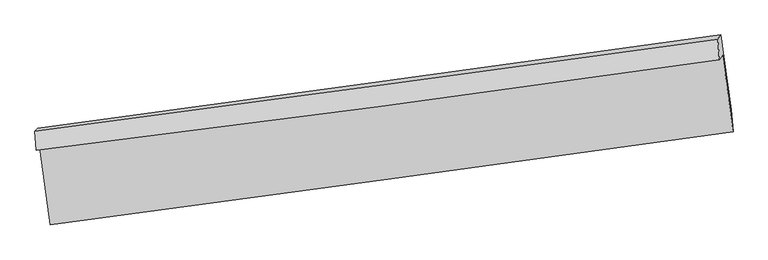
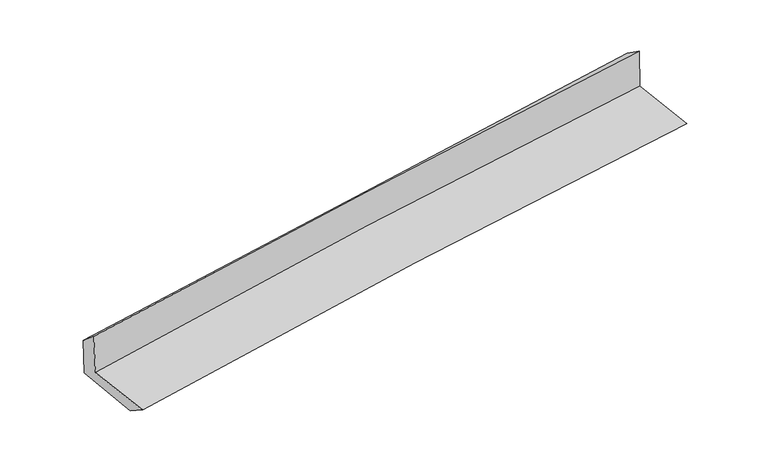
"""IFC4 building model written with IfcOpenShell, lengths in millimetres: proxy geometry."""

from ifc_helpers import new_model, si_unit, frame, origin, place, context, project, spatial, source, transform, mapped, element, save
from ifc_brep_helpers import plane_surface, spline_curve, spline_surface, advanced_brep


def generic_models_53ca1a8a(model_context):
    return source(origin(), model_context, "Body", "AdvancedBrep", [
        advanced_brep(
        [(-2996.3966159, -1909.6769377, 1649.8735262), (-2903.5651551, -2578.0785057, 1622.2872437), (3046.2756556, -1768.8177429, 2106.5135004), (2954.2431527, -1103.7920272, 2133.9845339), (-3026.0146225, -1932.2537715, 2058.7739491), (2927.0664884, -1142.3371999, 2539.3654192), (-3037.3450613, -1765.9451904, 1918.3965868), (2912.872206, -962.4165871, 2412.7941458), (-3011.197667, -1739.9144778, 1547.0628172), (2939.0704861, -925.2590751, 2022.0073351), (-2919.6909329, -2388.2525844, 1502.0136712), (3030.8384982, -1577.7991657, 1976.733308)],
        [
            (0, 1),
            (1, 2, spline_curve(3, [(-2903.5651551, -2578.0785057, 1622.2872437), (-1913.907944885, -2446.945566056, 1734.003993389), (-923.253695548, -2313.939921493, 1830.214835366), (1060.026619541, -2044.186249785, 1991.622891173), (2052.652640301, -1907.438306867, 2056.820801585), (3046.2756556, -1768.8177429, 2106.5135004)], [4, 2, 4], [0.0, 9.88386585886304, 19.767509820595734])),
            (2, 3),
            (3, 0, spline_curve(3, [(2954.2431527, -1103.7920272, 2133.9845339), (1960.626634249, -1242.855262448, 2084.269554716), (967.937283346, -1379.543228641, 2019.070107629), (-1015.609347542, -1648.171638806, 1857.700467341), (-2006.466586607, -1780.111976183, 1761.529578081), (-2996.3966159, -1909.6769377, 1649.8735262)], [4, 2, 4], [0.0, 9.883643961732695, 19.767509820595734])),
            (4, 0),
            (3, 5),
            (5, 4, spline_curve(3, [(2927.0664884, -1142.3371999, 2539.3654192), (1934.300665527, -1283.434311651, 2482.467636031), (941.833226887, -1419.808562371, 2413.970034926), (-1042.527156818, -1683.114298127, 2253.773398812), (-2034.420088574, -1810.045571405, 2162.073843449), (-3026.0146225, -1932.2537715, 2058.7739491)], [4, 2, 4], [0.0, 9.883634602782701, 19.76749110248563])),
            (6, 4),
            (5, 7),
            (7, 6, spline_curve(3, [(2912.872206, -962.4165871, 2412.7941458), (1921.388448686, -1098.71402619, 2331.536032356), (929.800698225, -1233.822724322, 2249.707648058), (-1053.60505264, -1501.665645508, 2084.908487414), (-2045.423058139, -1634.39981505, 2001.937685302), (-3037.3450613, -1765.9451904, 1918.3965868)], [4, 2, 4], [0.0, 9.882850689187244, 19.765923257695114])),
            (8, 6),
            (7, 9),
            (9, 8, spline_curve(3, [(2939.0704861, -925.2590751, 2022.0073351), (1947.146907604, -1060.335968343, 1944.171152751), (955.335003754, -1195.761599151, 1865.674803649), (-1028.087718959, -1467.313384512, 1707.359993812), (-2019.698532739, -1603.43955454, 1627.54150398), (-3011.197667, -1739.9144778, 1547.0628172)], [4, 2, 4], [0.0, 9.882645825751775, 19.765513526224797])),
            (10, 8),
            (9, 11),
            (11, 10, spline_curve(3, [(3030.8384982, -1577.7991657, 1976.733308), (2039.111144225, -1713.892042669, 1898.845237667), (1047.375580928, -1849.475513815, 1820.341683799), (-936.134229111, -2119.626675925, 1662.101832704), (-1927.908476138, -2254.194344533, 1582.365507598), (-2919.6909329, -2388.2525844, 1502.0136712)], [4, 2, 4], [0.0, 9.882377550264366, 19.764976969226943])),
            (1, 10),
            (11, 2),
        ],
        [
            spline_surface(3, 3, [[(-2996.3966159, -1909.6769377, 1649.8735262), (-2006.466586605, -1780.111976078, 1761.529578173), (-1015.609347681, -1648.171638798, 1857.700467178), (967.937283484, -1379.543228649, 2019.070107792), (1960.626634094, -1242.855262416, 2084.26955468), (2954.2431527, -1103.7920272, 2133.9845339)], [(-2965.452795657, -2132.477460377, 1640.67809871), (-1975.613706109, -2002.38983946, 1752.354383271), (-984.82413032, -1870.094399685, 1848.53858989), (998.633728798, -1601.090902357, 2009.921035638), (1991.301969449, -1464.382943916, 2075.119970357), (2984.920653664, -1325.46726577, 2124.827522743)], [(-2934.508975343, -2355.277983023, 1631.48267119), (-1944.760825542, -2224.66770281, 1743.179188339), (-954.038912876, -2092.017160595, 1839.37671255), (1029.330174194, -1822.638576088, 2000.771963431), (2021.977304812, -1685.910625407, 2065.970386003), (3015.598154636, -1547.14250433, 2115.670511557)], [(-2903.5651551, -2578.0785057, 1622.2872437), (-1913.907945046, -2446.945566192, 1734.003993438), (-923.253695514, -2313.939921482, 1830.214835262), (1060.026619507, -2044.186249796, 1991.622891277), (2052.652640167, -1907.438306908, 2056.82080168), (3046.2756556, -1768.8177429, 2106.5135004)]], [4, 4], [4, 2, 4], [0.0, 2.2051490458139433], [0.0, 9.88386585886304, 19.767509820595734]),
            spline_surface(3, 3, [[(-3026.0146225, -1932.2537715, 2058.7739491), (-2034.420088525, -1810.045571267, 2162.073843313), (-1042.527156817, -1683.114298228, 2253.773398963), (941.833226886, -1419.80856227, 2413.970034775), (1934.300665468, -1283.434311489, 2482.467635882), (2927.0664884, -1142.3371999, 2539.3654192)], [(-3016.141953623, -1924.72816021, 1922.473808116), (-2025.102254541, -1800.067706181, 2028.559088249), (-1033.554553753, -1671.466745082, 2121.749088355), (950.534579105, -1406.386784394, 2282.336725768), (1943.075988349, -1269.907961805, 2349.734942162), (2936.125376506, -1129.488809007, 2404.238457447)], [(-3006.269284777, -1917.20254899, 1786.173667184), (-2015.784420589, -1790.089841164, 1895.044333237), (-1024.581950746, -1659.819191943, 1989.724777785), (959.235931266, -1392.965006525, 2150.703416799), (1951.851311213, -1256.381612099, 2217.002248401), (2945.184264594, -1116.640418093, 2269.111495653)], [(-2996.3966159, -1909.6769377, 1649.8735262), (-2006.466586605, -1780.111976078, 1761.529578173), (-1015.609347681, -1648.171638798, 1857.700467178), (967.937283484, -1379.543228649, 2019.070107792), (1960.626634094, -1242.855262416, 2084.26955468), (2954.2431527, -1103.7920272, 2133.9845339)]], [4, 4], [4, 2, 4], [0.0, 1.3062787227737644], [0.0, 9.883856499702928, 19.76749110248563]),
            spline_surface(3, 3, [[(-3037.3450613, -1765.9451904, 1918.3965868), (-2045.423058176, -1634.399815058, 2001.937685414), (-1053.605052755, -1501.665645496, 2084.908487364), (929.80069834, -1233.822724334, 2249.707648109), (1921.38844869, -1098.714026166, 2331.536032456), (2912.872206, -962.4165871, 2412.7941458)], [(-3033.568248378, -1821.381384101, 1965.189040926), (-2041.755401637, -1692.948400462, 2055.31640474), (-1049.912420797, -1562.148529762, 2141.19679124), (933.811541167, -1295.818003668, 2304.461777007), (1925.692520945, -1160.287454602, 2381.846566912), (2917.603633462, -1022.390124695, 2454.984570247)], [(-3029.791435422, -1876.817577799, 2011.981494974), (-2038.087745064, -1751.496985863, 2108.695123988), (-1046.219788775, -1622.631413962, 2197.485095087), (937.822384059, -1357.813282936, 2359.215905876), (1929.996593213, -1221.860883053, 2432.157101427), (2922.335060938, -1082.363662305, 2497.174994753)], [(-3026.0146225, -1932.2537715, 2058.7739491), (-2034.420088525, -1810.045571267, 2162.073843313), (-1042.527156817, -1683.114298228, 2253.773398963), (941.833226886, -1419.80856227, 2413.970034775), (1934.300665468, -1283.434311489, 2482.467635882), (2927.0664884, -1142.3371999, 2539.3654192)]], [4, 4], [4, 2, 4], [0.0, 0.8144746767537665], [0.0, 9.88307256850787, 19.765923257695114]),
            spline_surface(3, 3, [[(-3011.197667, -1739.9144778, 1547.0628172), (-2019.698532879, -1603.439554503, 1627.541503888), (-1028.087718954, -1467.313384454, 1707.359993907), (955.335003748, -1195.761599209, 1865.674803554), (1947.146907548, -1060.335968366, 1944.171152855), (2939.0704861, -925.2590751, 2022.0073351)], [(-3019.913465107, -1748.591382008, 1670.840740396), (-2028.273374652, -1613.759641362, 1752.340231059), (-1036.593496877, -1478.764138116, 1833.209491723), (946.823568623, -1208.448640899, 1993.685751736), (1938.560754598, -1073.128654293, 2073.292779412), (2930.337726069, -937.644912427, 2152.269605356)], [(-3028.629263193, -1757.268286192, 1794.618663604), (-2036.848216403, -1624.079728199, 1877.138958243), (-1045.099274833, -1490.214891834, 1959.058989548), (938.312133465, -1221.135682644, 2121.696699927), (1929.97460164, -1085.921340239, 2202.414405899), (2921.604966031, -950.030749773, 2282.531875544)], [(-3037.3450613, -1765.9451904, 1918.3965868), (-2045.423058176, -1634.399815058, 2001.937685414), (-1053.605052755, -1501.665645496, 2084.908487364), (929.80069834, -1233.822724334, 2249.707648109), (1921.38844869, -1098.714026166, 2331.536032456), (2912.872206, -962.4165871, 2412.7941458)]], [4, 4], [4, 2, 4], [0.0, 1.257738835225197], [0.0, 9.882867700473023, 19.765513526224797]),
            spline_surface(3, 3, [[(-2919.6909329, -2388.2525844, 1502.0136712), (-1927.908476269, -2254.194344688, 1582.365507557), (-936.134229098, -2119.626676088, 1662.101832591), (1047.375580915, -1849.475513652, 1820.341683912), (2039.111144081, -1713.892042677, 1898.845237763), (3030.8384982, -1577.7991657, 1976.733308)], [(-2950.193177571, -2172.1398822, 1517.030053211), (-1958.505161776, -2037.276081293, 1597.424173012), (-966.785392381, -1902.188912218, 1677.187886365), (1016.695388528, -1631.570875512, 1835.452723795), (2008.456398572, -1496.040017899, 1913.953876104), (3000.249160836, -1360.285802159, 1991.824650344)], [(-2980.695422329, -1956.02718, 1532.046435189), (-1989.101847371, -1820.357817898, 1612.482838434), (-997.436555671, -1684.751148324, 1692.273940133), (986.015196135, -1413.666237348, 1850.563763672), (1977.801653056, -1278.187993144, 1929.062514514), (2969.659823464, -1142.772438641, 2006.915992756)], [(-3011.197667, -1739.9144778, 1547.0628172), (-2019.698532879, -1603.439554503, 1627.541503888), (-1028.087718954, -1467.313384454, 1707.359993907), (955.335003748, -1195.761599209, 1865.674803554), (1947.146907548, -1060.335968366, 1944.171152855), (2939.0704861, -925.2590751, 2022.0073351)]], [4, 4], [4, 2, 4], [0.0, 2.1686870235142663], [0.0, 9.882599418962577, 19.764976969226943]),
            spline_surface(3, 3, [[(-2903.5651551, -2578.0785057, 1622.2872437), (-1913.907945046, -2446.945566192, 1734.003993438), (-923.253695514, -2313.939921482, 1830.214835262), (1060.026619507, -2044.186249796, 1991.622891277), (2052.652640167, -1907.438306908, 2056.82080168), (3046.2756556, -1768.8177429, 2106.5135004)], [(-2908.940414365, -2514.803198604, 1582.196052842), (-1918.574788785, -2382.695159028, 1683.457831453), (-927.547206693, -2249.168839682, 1774.177167692), (1055.809606659, -1979.28267108, 1934.529155475), (2048.138808135, -1842.922885506, 2004.162280371), (3041.129936463, -1705.144883842, 2063.253436263)], [(-2914.315673635, -2451.527891496, 1542.104862058), (-1923.24163253, -2318.444751852, 1632.911669542), (-931.840717919, -2184.397757888, 1718.139500161), (1051.592593763, -1914.379092368, 1877.435419713), (2043.624976113, -1778.407464079, 1951.503759072), (3035.984217337, -1641.472024758, 2019.993372137)], [(-2919.6909329, -2388.2525844, 1502.0136712), (-1927.908476269, -2254.194344688, 1582.365507557), (-936.134229098, -2119.626676088, 1662.101832591), (1047.375580915, -1849.475513652, 1820.341683912), (2039.111144081, -1713.892042677, 1898.845237763), (3030.8384982, -1577.7991657, 1976.733308)]], [4, 4], [4, 2, 4], [0.0, 0.8479240011935918], [0.0, 9.88263944581868, 19.76505702204053]),
            plane_surface(frame((2968.3944145, -1246.7369663, 2198.5663737), z_axis=(0.9879075661015838, 0.13345593533272587, 0.07891865535925074), x_axis=(-0.06659067987348649, -0.09444681011896285, 0.9933002977007203))),
            plane_surface(frame((-2982.3683424, -2052.3535779, 1716.401299), z_axis=(-0.9878399246148746, -0.1339385680734198, -0.07894772523208635), x_axis=(-0.13745053028837195, 0.98966610295354, 0.04084551858158559))),
        ],
        [
            (0, [[1, 2, 3, 4]]),
            (1, [[5, -4, 6, 7]]),
            (2, [[8, -7, 9, 10]]),
            (3, [[11, -10, 12, 13]]),
            (4, [[14, -13, 15, 16]]),
            (5, [[17, -16, 18, -2]]),
            (6, [[-12, -9, -6, -3, -18, -15]]),
            (7, [[-1, -5, -8, -11, -14, -17]]),
        ],
    ),
    ])


if __name__ == "__main__":
    model = new_model("IFC4")
    model_context = context("Model", 3, world=origin())
    ifc_project = project(units=[si_unit("LENGTHUNIT", "METRE", prefix="MILLI")], contexts=[model_context])
    site = spatial("IfcSite", under=ifc_project)
    building = spatial("IfcBuilding", under=site)
    placement = place(None, origin())
    generic_models_shape = generic_models_53ca1a8a(model_context)
    element("IfcBuildingElementProxy", 1, Name="Generic Models", at=placement, inside=building, context=model_context, shape_type="MappedRepresentation", body=[
        mapped(generic_models_shape, transform((0.0, 0.0, 0.0), x_axis=(1.0, 0.0, 0.0), y_axis=(0.0, 1.0, 0.0), z_axis=(0.0, 0.0, 1.0))),
    ])
    save(model, "model.ifc")
